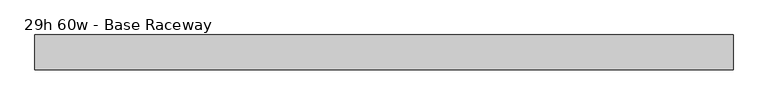
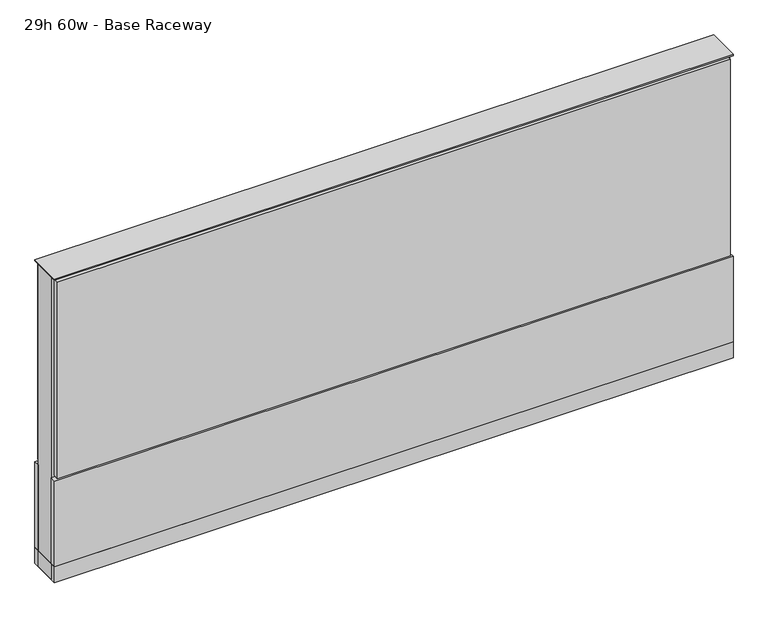
"""IFC4 building model written with IfcOpenShell, lengths in millimetres: furniture geometry, 29h 60w - Base Raceway."""

from ifc_helpers import new_model, si_unit, point, frame, frame_2d, origin, origin_with_axes, place, context, project, spatial, polyline, circle_curve, trimmed, segment, composite_curve, outline, extrude, source, transform, mapped, element, save


def furniture_29h_60w_base_raceway_98960a88(model_context):
    return source(origin(), model_context, "Body", "SweptSolid", [
        extrude(outline(composite_curve([segment(trimmed(circle_curve(frame_2d((688.2402902, 0.0)), 12.7), [point((675.5402902, 0.0))], [point((700.9402902, 0.0))], False, "CARTESIAN"), True, "CONTINUOUS"), segment(trimmed(circle_curve(frame_2d((688.2402902, 0.0)), 12.7), [point((700.9402902, 0.0))], [point((675.5402902, 0.0))], False, "CARTESIAN"), True, "CONTINUOUS")], self_intersect=False)), origin_with_axes(), (0.0, 0.0, 1.0), 12.7),
        extrude(outline(composite_curve([segment(trimmed(circle_curve(frame_2d((-683.3597098, 0.0)), 12.7), [point((-696.0597098, 0.0))], [point((-670.6597098, 0.0))], False, "CARTESIAN"), True, "CONTINUOUS"), segment(trimmed(circle_curve(frame_2d((-683.3597098, 0.0)), 12.7), [point((-670.6597098, 0.0))], [point((-696.0597098, 0.0))], False, "CARTESIAN"), True, "CONTINUOUS")], self_intersect=False)), origin_with_axes(), (0.0, 0.0, 1.0), 12.7),
        extrude(outline(polyline([(758.0902902, 38.1), (758.0902902, 25.4), (-753.2097098, 25.4), (-753.2097098, 38.1), (758.0902902, 38.1)])), frame((0.0, 0.0, 257.175), z_axis=(0.0, 0.0, 1.0), x_axis=(1.0, 0.0, 0.0)), (0.0, 0.0, 1.0), 466.725),
        extrude(outline(polyline([(764.4402902, 38.1), (764.4402902, 25.4), (-759.5597098, 25.4), (-759.5597098, 38.1), (764.4402902, 38.1)])), frame((0.0, 0.0, 50.8), z_axis=(0.0, 0.0, 1.0), x_axis=(1.0, 0.0, 0.0)), (0.0, 0.0, 1.0), 203.2),
        extrude(outline(polyline([(764.4402902, -38.1), (-759.5597098, -38.1), (-759.5597098, -25.4), (764.4402902, -25.4), (764.4402902, -38.1)])), frame((0.0, 0.0, 50.8), z_axis=(0.0, 0.0, 1.0), x_axis=(1.0, 0.0, 0.0)), (0.0, 0.0, 1.0), 203.2),
        extrude(outline(polyline([(758.0902902, -38.1), (-753.2097098, -38.1), (-753.2097098, -25.4), (758.0902902, -25.4), (758.0902902, -38.1)])), frame((0.0, 0.0, 257.175), z_axis=(0.0, 0.0, 1.0), x_axis=(1.0, 0.0, 0.0)), (0.0, 0.0, 1.0), 466.725),
        extrude(outline(polyline([(764.4402902, 25.4), (764.4402902, -25.4), (-759.5597098, -25.4), (-759.5597098, 25.4), (764.4402902, 25.4)])), frame((0.0, 0.0, 12.7), z_axis=(0.0, 0.0, 1.0), x_axis=(1.0, 0.0, 0.0)), (0.0, 0.0, 1.0), 717.55),
        extrude(outline(polyline([(-759.5597098, -38.1), (-759.5597098, 38.1), (764.4402902, 38.1), (764.4402902, -38.1), (-759.5597098, -38.1)])), frame((0.0, 0.0, 12.7), z_axis=(0.0, 0.0, 1.0), x_axis=(1.0, 0.0, 0.0)), (0.0, 0.0, 1.0), 38.1),
        extrude(outline(polyline([(-759.5597098, -38.1), (-759.5597098, 38.1), (764.4402902, 38.1), (764.4402902, -38.1), (-759.5597098, -38.1)])), frame((0.0, 0.0, 730.25), z_axis=(0.0, 0.0, 1.0), x_axis=(1.0, 0.0, 0.0)), (0.0, 0.0, 1.0), 3.175),
    ])


if __name__ == "__main__":
    model = new_model("IFC4")
    model_context = context("Model", 3, world=origin())
    ifc_project = project(units=[si_unit("LENGTHUNIT", "METRE", prefix="MILLI")], contexts=[model_context])
    site = spatial("IfcSite", under=ifc_project)
    building = spatial("IfcBuilding", under=site)
    placement = place(None, origin())
    furniture_29h_60w_base_raceway_shape = furniture_29h_60w_base_raceway_98960a88(model_context)
    element("IfcFurniture", 1, ObjectType="29h 60w - Base Raceway", at=placement, inside=building, context=model_context, shape_type="MappedRepresentation", body=[
        mapped(furniture_29h_60w_base_raceway_shape, transform((0.0, 0.0, 0.0), x_axis=(1.0, 0.0, 0.0), y_axis=(0.0, 1.0, 0.0), z_axis=(0.0, 0.0, 1.0))),
    ])
    save(model, "model.ifc")
